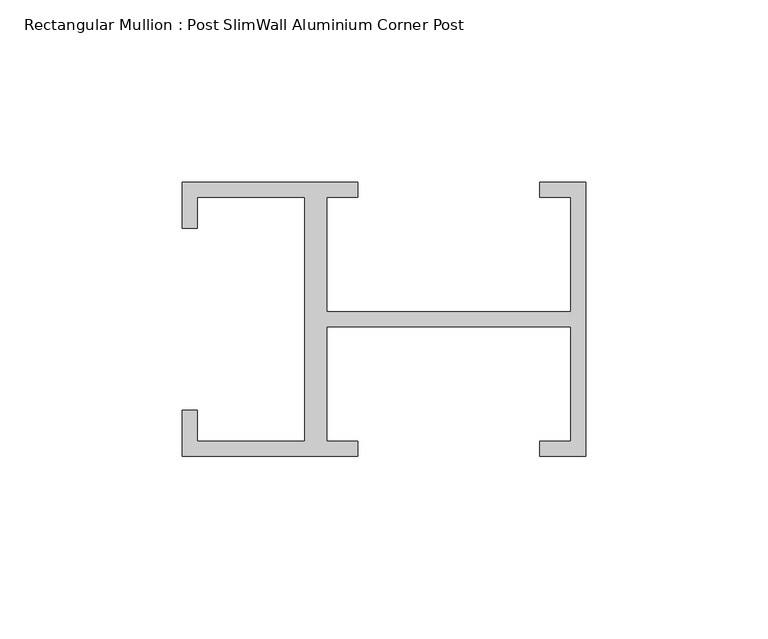
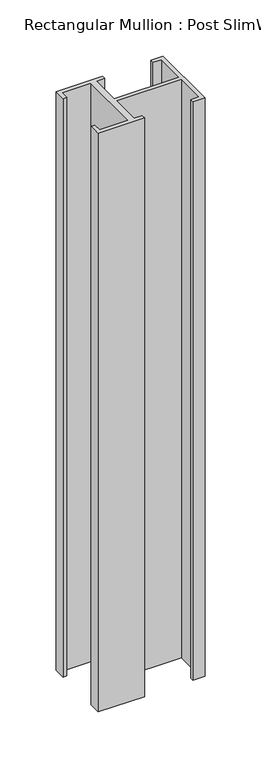
"""IFC4 building model written with IfcOpenShell, lengths in millimetres: member geometry, Rectangular Mullion : Post SlimWall Aluminium Corner Post."""

from ifc_helpers import new_model, si_unit, frame, origin, place, context, project, spatial, polyline, outline, extrude, source, transform, mapped, element, save


def rectangular_mullion_post_slimwall_aluminium_corner_post_09500637(model_context):
    return source(origin(), model_context, "Body", "SweptSolid", [
        extrude(outline(polyline([(-71.0, 33.5), (-71.0, 2.0), (-4.0, 2.0), (-4.0, 33.5), (-12.5, 33.5), (-12.5, 37.5), (0.0, 37.5), (0.0, -37.5), (-12.5, -37.5), (-12.5, -33.5), (-4.0, -33.5), (-4.0, -2.0), (-71.0, -2.0), (-71.0, -33.5), (-62.5, -33.5), (-62.5, -37.5), (-110.5, -37.5), (-110.5, -25.0), (-106.5, -25.0), (-106.5, -33.5), (-77.0, -33.5), (-77.0, 33.5), (-106.5, 33.5), (-106.5, 25.0), (-110.5, 25.0), (-110.5, 37.5), (-62.5, 37.5), (-62.5, 33.5), (-71.0, 33.5)])), frame((0.0, 0.0, -630.0), z_axis=(0.0, 0.0, 1.0), x_axis=(1.0, 0.0, 0.0)), (0.0, 0.0, 1.0), 630.0),
    ])


if __name__ == "__main__":
    model = new_model("IFC4")
    model_context = context("Model", 3, world=origin())
    ifc_project = project(units=[si_unit("LENGTHUNIT", "METRE", prefix="MILLI")], contexts=[model_context])
    site = spatial("IfcSite", under=ifc_project)
    building = spatial("IfcBuilding", under=site)
    placement = place(None, origin())
    rectangular_mullion_post_slimwall_aluminium_corner_post_shape = rectangular_mullion_post_slimwall_aluminium_corner_post_09500637(model_context)
    element("IfcMember", 1, ObjectType="Rectangular Mullion : Post SlimWall Aluminium Corner Post", at=placement, inside=building, context=model_context, shape_type="MappedRepresentation", body=[
        mapped(rectangular_mullion_post_slimwall_aluminium_corner_post_shape, transform((0.0, 0.0, 0.0), x_axis=(1.0, 0.0, 0.0), y_axis=(0.0, 1.0, 0.0), z_axis=(0.0, 0.0, 1.0))),
    ])
    save(model, "model.ifc")
